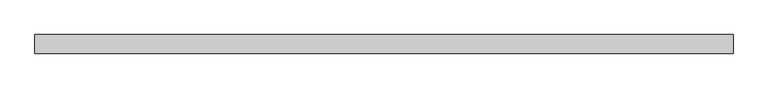
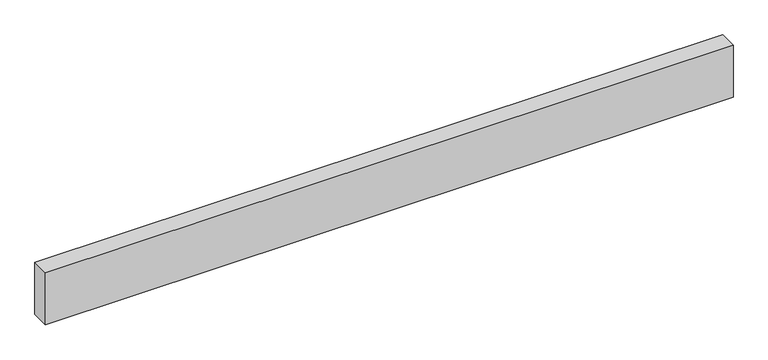
"""IFC4 building model written with IfcOpenShell, lengths in millimetres: proxy geometry."""

from ifc_helpers import new_model, si_unit, origin, origin_with_axes, place, context, project, spatial, polyline, outline, extrude, source, transform, mapped, element, save


def generic_models_4e0c1b7c(model_context):
    return source(origin(), model_context, "Body", "SweptSolid", [
        extrude(outline(polyline([(3750.5861993, 0.0), (3750.5861993, -100.0), (0.0, -100.0), (0.0, 0.0), (3750.5861993, 0.0)])), origin_with_axes(), (0.0, 0.0, 1.0), 300.0),
    ])


if __name__ == "__main__":
    model = new_model("IFC4")
    model_context = context("Model", 3, world=origin())
    ifc_project = project(units=[si_unit("LENGTHUNIT", "METRE", prefix="MILLI")], contexts=[model_context])
    site = spatial("IfcSite", under=ifc_project)
    building = spatial("IfcBuilding", under=site)
    placement = place(None, origin())
    generic_models_shape = generic_models_4e0c1b7c(model_context)
    element("IfcBuildingElementProxy", 1, Name="Generic Models", at=placement, inside=building, context=model_context, shape_type="MappedRepresentation", body=[
        mapped(generic_models_shape, transform((0.0, 0.0, 0.0), x_axis=(1.0, 0.0, 0.0), y_axis=(0.0, 1.0, 0.0), z_axis=(0.0, 0.0, 1.0))),
    ])
    save(model, "model.ifc")
